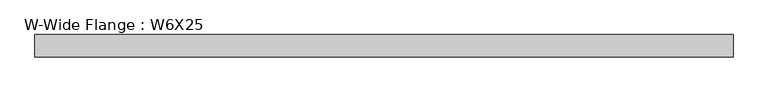
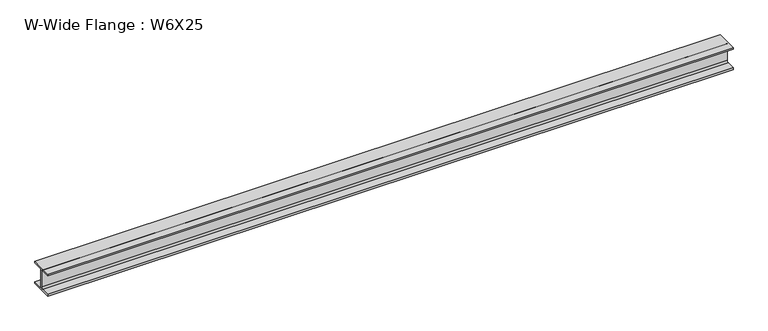
"""IFC4 building model written with IfcOpenShell, lengths in millimetres: beam geometry, W-Wide Flange : W6X25."""

import ifcopenshell
import ifcopenshell.guid

model = None  # the IFC model being written
_history = None  # IfcOwnerHistory: only IFC2X3 demands one
_inside = {}  # id of a spatial element -> (the spatial element, [elements in it])
_under = {}  # id of a project, library or spatial element -> (it, [spatial elements below it])
_declared = {}  # id of a project -> (the project, [libraries it declares])
_typed = {}  # id of a type object -> (the type object, [elements of that type])
_made_of = {}  # id of a material, layer set ... -> (it, [elements and type objects made of it])


def new_model(schema):
    """Start an empty IFC model of exactly this schema.

    Asked for "IFC4X3", IfcOpenShell would pick the latest addendum, in which some entities
    have other attributes; the version numbers below select the first issue.
    IFC2X3 requires an IfcOwnerHistory on every rooted entity: one is made here for all.
    """
    global model, _history
    if schema == "IFC4X3":
        model = ifcopenshell.file(schema_version=(4, 3, 0, 0))
    else:
        model = ifcopenshell.file(schema=schema)
    _inside.clear()
    _under.clear()
    _declared.clear()
    _typed.clear()
    _made_of.clear()
    _history = None
    if model.schema == "IFC2X3":
        org = make("IfcOrganization", Name="unknown")
        user = make(
            "IfcPersonAndOrganization",
            ThePerson=make("IfcPerson", FamilyName="unknown"),
            TheOrganization=org,
        )
        app = make(
            "IfcApplication",
            ApplicationDeveloper=org,
            Version="unknown",
            ApplicationFullName="unknown",
            ApplicationIdentifier="unknown",
        )
        _history = make(
            "IfcOwnerHistory",
            OwningUser=user,
            OwningApplication=app,
            ChangeAction="ADDED",
            CreationDate=0,
        )
    return model


def make(cls, **values):
    """One entity of the class cls with the attributes given. An attribute that is None is left unset."""
    return model.create_entity(
        cls, **{name: value for name, value in values.items() if value is not None}
    )


def rooted(cls, **values):
    """An entity with a GlobalId (a new one), such as an element, a storey or a relation."""
    return make(cls, GlobalId=ifcopenshell.guid.new(), OwnerHistory=_history, **values)


def si_unit(unit_type, name, prefix=None):
    """IfcSIUnit, for example si_unit("LENGTHUNIT", "METRE", prefix="MILLI")."""
    return make("IfcSIUnit", UnitType=unit_type, Prefix=prefix, Name=name)


def assignment(units):
    """IfcUnitAssignment: the units of a project."""
    return None if units is None else make("IfcUnitAssignment", Units=units)


def point(xyz):
    """IfcCartesianPoint."""
    return None if xyz is None else make("IfcCartesianPoint", Coordinates=xyz)


def direction(xyz):
    """IfcDirection."""
    return None if xyz is None else make("IfcDirection", DirectionRatios=xyz)


def frame(location, z_axis=None, x_axis=None):
    """IfcAxis2Placement3D, a coordinate frame: its origin and axes. An axis left out is left unset."""
    return make(
        "IfcAxis2Placement3D",
        Location=point(location),
        Axis=direction(z_axis),
        RefDirection=direction(x_axis),
    )


def frame_2d(location, x_axis=None):
    """IfcAxis2Placement2D, a coordinate frame in the plane: its origin and x axis."""
    return make(
        "IfcAxis2Placement2D", Location=point(location), RefDirection=direction(x_axis)
    )


def origin():
    """The frame at (0, 0, 0) with its axes left unset."""
    return frame((0.0, 0.0, 0.0))


def place(relative_to, where):
    """IfcLocalPlacement: puts the frame where relative to a parent placement (None: the world)."""
    return make(
        "IfcLocalPlacement", PlacementRelTo=relative_to, RelativePlacement=where
    )


def context(
    kind, dimensions, precision=None, world=None, true_north=None, identifier=None
):
    """IfcGeometricRepresentationContext, for example the 3D "Model" context."""
    return make(
        "IfcGeometricRepresentationContext",
        ContextIdentifier=identifier,
        ContextType=kind,
        CoordinateSpaceDimension=dimensions,
        Precision=precision,
        WorldCoordinateSystem=world,
        TrueNorth=true_north,
    )


def project(units=None, contexts=None):
    """IfcProject with its units and contexts."""
    return rooted(
        "IfcProject",
        Name="project",
        RepresentationContexts=contexts,
        UnitsInContext=assignment(units),
    )


def spatial(cls, under=None, at=None, **own):
    """A site, building, storey or space (cls), placed at a placement, below another one or the project."""
    s = rooted(cls, ObjectPlacement=at, **own)
    if under is not None:
        _under.setdefault(under.id(), (under, []))[1].append(s)
    return s


def polyline(points):
    """IfcPolyline through the points."""
    return make("IfcPolyline", Points=[point(p) for p in points])


def circle_curve(where, radius):
    """IfcCircle in the frame where."""
    return make("IfcCircle", Position=where, Radius=radius)


def trimmed(basis, trim1, trim2, sense, master):
    """IfcTrimmedCurve: the piece of a basis curve between two trims."""
    return make(
        "IfcTrimmedCurve",
        BasisCurve=basis,
        Trim1=trim1,
        Trim2=trim2,
        SenseAgreement=sense,
        MasterRepresentation=master,
    )


def segment(curve, same_sense, transition):
    """IfcCompositeCurveSegment."""
    return make(
        "IfcCompositeCurveSegment",
        Transition=transition,
        SameSense=same_sense,
        ParentCurve=curve,
    )


def composite_curve(segments, self_intersect=None):
    """IfcCompositeCurve: segments joined end to end."""
    return make("IfcCompositeCurve", Segments=segments, SelfIntersect=self_intersect)


def outline(outer, holes=None, kind="AREA"):
    """IfcArbitraryClosedProfileDef: a profile drawn as a closed curve; with holes, ...WithVoids."""
    if holes is None:
        return make("IfcArbitraryClosedProfileDef", ProfileType=kind, OuterCurve=outer)
    return make(
        "IfcArbitraryProfileDefWithVoids",
        ProfileType=kind,
        OuterCurve=outer,
        InnerCurves=holes,
    )


def extrude(swept, where, along, depth):
    """IfcExtrudedAreaSolid: the profile swept, set in the frame where, extruded along a direction by depth."""
    return make(
        "IfcExtrudedAreaSolid",
        SweptArea=swept,
        Position=where,
        ExtrudedDirection=direction(along),
        Depth=depth,
    )


def shape(context_of_items, identifier, shape_type, items):
    """IfcShapeRepresentation: the items that make up one representation, for example the "Body"."""
    return make(
        "IfcShapeRepresentation",
        ContextOfItems=context_of_items,
        RepresentationIdentifier=identifier,
        RepresentationType=shape_type,
        Items=items,
    )


def source(mapping_origin, context_of_items, identifier, shape_type, items):
    """IfcRepresentationMap: a shape defined once, which mapped items show again and again."""
    return make(
        "IfcRepresentationMap",
        MappingOrigin=mapping_origin,
        MappedRepresentation=shape(context_of_items, identifier, shape_type, items),
    )


def transform(
    local_origin,
    x_axis=None,
    y_axis=None,
    z_axis=None,
    scale=None,
    scale2=None,
    scale3=None,
    uniform=True,
):
    """IfcCartesianTransformationOperator3D, or its non-uniform kind. x_axis, y_axis, z_axis: its Axis1, 2, 3."""
    if uniform:
        return make(
            "IfcCartesianTransformationOperator3D",
            Axis1=direction(x_axis),
            Axis2=direction(y_axis),
            LocalOrigin=point(local_origin),
            Scale=scale,
            Axis3=direction(z_axis),
        )
    return make(
        "IfcCartesianTransformationOperator3DnonUniform",
        Axis1=direction(x_axis),
        Axis2=direction(y_axis),
        LocalOrigin=point(local_origin),
        Scale=scale,
        Axis3=direction(z_axis),
        Scale2=scale2,
        Scale3=scale3,
    )


def mapped(mapping_source, mapping_target):
    """IfcMappedItem: shows the shape of a source again, moved by a transform."""
    return make(
        "IfcMappedItem", MappingSource=mapping_source, MappingTarget=mapping_target
    )


def made_of(thing, what):
    """Note that an element or type object is made of a material, layer set ...; save() writes the relation."""
    if what is not None:
        _made_of.setdefault(what.id(), (what, []))[1].append(thing)
    return thing


def element(
    cls,
    number,
    at=None,
    inside=None,
    cuts=None,
    type_object=None,
    material=None,
    context=None,
    identifier="Body",
    shape_type=None,
    held_by="IfcProductDefinitionShape",
    body=None,
    shapes=None,
    **own,
):
    """One element of the class cls, such as IfcWall. Its Tag is "e" and its number.

    at: its placement. inside: the storey or other place that contains it. cuts: it is an
    opening in that element (IfcRelVoidsElement). A single representation is given by context,
    identifier, shape_type and body (its items); several are given by shapes. held_by: the class
    of the entity that holds the representations. save() writes the other relations.
    """
    e = rooted(cls, Tag="e%d" % number, ObjectPlacement=at, **own)
    if body is not None:
        shapes = [shape(context, identifier, shape_type, body)]
    if shapes is not None:
        e.Representation = make(held_by, Representations=shapes)
    if inside is not None:
        _inside.setdefault(inside.id(), (inside, []))[1].append(e)
    if cuts is not None:
        rooted(
            "IfcRelVoidsElement", RelatingBuildingElement=cuts, RelatedOpeningElement=e
        )
    if type_object is not None:
        _typed.setdefault(type_object.id(), (type_object, []))[1].append(e)
    return made_of(e, material)


def aggregate(whole, parts):
    """IfcRelAggregates: a whole, such as a stair, and the parts it consists of."""
    return rooted("IfcRelAggregates", RelatingObject=whole, RelatedObjects=parts)


def save(model, path):
    """Write the relations noted so far, then the file.

    IfcRelAggregates (storeys below a building ...), IfcRelContainedInSpatialStructure (elements
    in a storey), IfcRelDefinesByType, IfcRelAssociatesMaterial and IfcRelDeclares: one each for
    every whole, place, type object, material and project.
    """
    for whole, parts in _under.values():
        aggregate(whole, parts)
    for where, things in _inside.values():
        rooted(
            "IfcRelContainedInSpatialStructure",
            RelatedElements=things,
            RelatingStructure=where,
        )
    for kind, things in _typed.values():
        rooted("IfcRelDefinesByType", RelatedObjects=things, RelatingType=kind)
    for what, things in _made_of.values():
        rooted("IfcRelAssociatesMaterial", RelatedObjects=things, RelatingMaterial=what)
    for by, libraries in _declared.values():
        rooted("IfcRelDeclares", RelatingContext=by, RelatedDefinitions=libraries)
    model.write(path)


def w_wide_flange_w6x25_b3ff6919(model_context):
    return source(origin(), model_context, "Body", "SweptSolid", [
        extrude(outline(composite_curve([segment(polyline([(77.1921875, -69.5027344), (77.1921875, -81.0121094), (-77.1921875, -81.0121094), (-77.1921875, -69.5027344), (-16.3710938, -69.5027344)]), True, "CONTINUOUS"), segment(trimmed(circle_curve(frame_2d((-16.3710938, -57.1996094)), 12.303125), [point((-16.3710938, -69.5027344))], [point((-4.0679688, -57.1996094))], True, "CARTESIAN"), True, "CONTINUOUS"), segment(polyline([(-4.0679688, -57.1996094), (-4.0679688, 57.1996094)]), True, "CONTINUOUS"), segment(trimmed(circle_curve(frame_2d((-16.3710938, 57.1996094)), 12.303125), [point((-4.0679688, 57.1996094))], [point((-16.3710938, 69.5027344))], True, "CARTESIAN"), True, "CONTINUOUS"), segment(polyline([(-16.3710938, 69.5027344), (-77.1921875, 69.5027344), (-77.1921875, 81.0121094), (77.1921875, 81.0121094), (77.1921875, 69.5027344), (16.3710937, 69.5027344)]), True, "CONTINUOUS"), segment(trimmed(circle_curve(frame_2d((16.3710937, 57.1996094)), 12.303125), [point((16.3710937, 69.5027344))], [point((4.0679687, 57.1996094))], True, "CARTESIAN"), True, "CONTINUOUS"), segment(polyline([(4.0679687, 57.1996094), (4.0679687, -57.1996094)]), True, "CONTINUOUS"), segment(trimmed(circle_curve(frame_2d((16.3710937, -57.1996094)), 12.303125), [point((4.0679687, -57.1996094))], [point((16.3710937, -69.5027344))], True, "CARTESIAN"), True, "CONTINUOUS"), segment(polyline([(16.3710937, -69.5027344), (77.1921875, -69.5027344)]), True, "CONTINUOUS")], self_intersect=False)), frame((-2388.2381606, 0.0, 0.0), z_axis=(1.0, 0.0, 0.0), x_axis=(0.0, 1.0, 0.0)), (0.0, 0.0, 1.0), 4783.778997),
    ])


if __name__ == "__main__":
    model = new_model("IFC4")
    model_context = context("Model", 3, world=origin())
    ifc_project = project(units=[si_unit("LENGTHUNIT", "METRE", prefix="MILLI")], contexts=[model_context])
    site = spatial("IfcSite", under=ifc_project)
    building = spatial("IfcBuilding", under=site)
    placement = place(None, origin())
    w_wide_flange_w6x25_shape = w_wide_flange_w6x25_b3ff6919(model_context)
    element("IfcBeam", 1, ObjectType="W-Wide Flange : W6X25", at=placement, inside=building, context=model_context, shape_type="MappedRepresentation", body=[
        mapped(w_wide_flange_w6x25_shape, transform((0.0, 0.0, 0.0), x_axis=(1.0, 0.0, 0.0), y_axis=(0.0, 1.0, 0.0), z_axis=(0.0, 0.0, 1.0))),
    ])
    save(model, "model.ifc")
